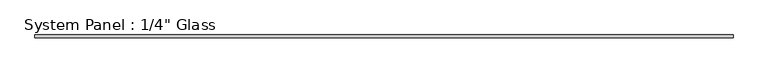
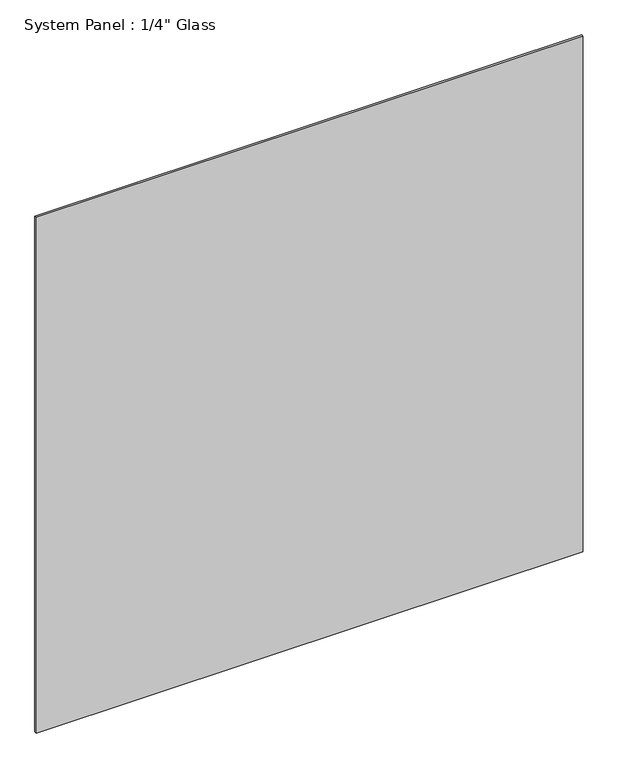
"""IFC4 building model written with IfcOpenShell, lengths in millimetres: plate geometry."""

from ifc_helpers import new_model, si_unit, origin, origin_with_axes, place, context, project, spatial, polyline, outline, extrude, source, transform, mapped, element, save


def plate_165c06aa(model_context):
    return source(origin(), model_context, "Body", "SweptSolid", [
        extrude(outline(polyline([(738.1875, -3.175), (-738.1875, -3.175), (-738.1875, 3.175), (738.1875, 3.175), (738.1875, -3.175)])), origin_with_axes(), (0.0, 0.0, 1.0), 1471.1844027),
    ])


if __name__ == "__main__":
    model = new_model("IFC4")
    model_context = context("Model", 3, world=origin())
    ifc_project = project(units=[si_unit("LENGTHUNIT", "METRE", prefix="MILLI")], contexts=[model_context])
    site = spatial("IfcSite", under=ifc_project)
    building = spatial("IfcBuilding", under=site)
    placement = place(None, origin())
    plate_shape = plate_165c06aa(model_context)
    element("IfcPlate", 1, ObjectType="System Panel : 1/4\" Glass", at=placement, inside=building, context=model_context, shape_type="MappedRepresentation", body=[
        mapped(plate_shape, transform((0.0, 0.0, 0.0), x_axis=(1.0, 0.0, 0.0), y_axis=(0.0, 1.0, 0.0), z_axis=(0.0, 0.0, 1.0))),
    ])
    save(model, "model.ifc")
